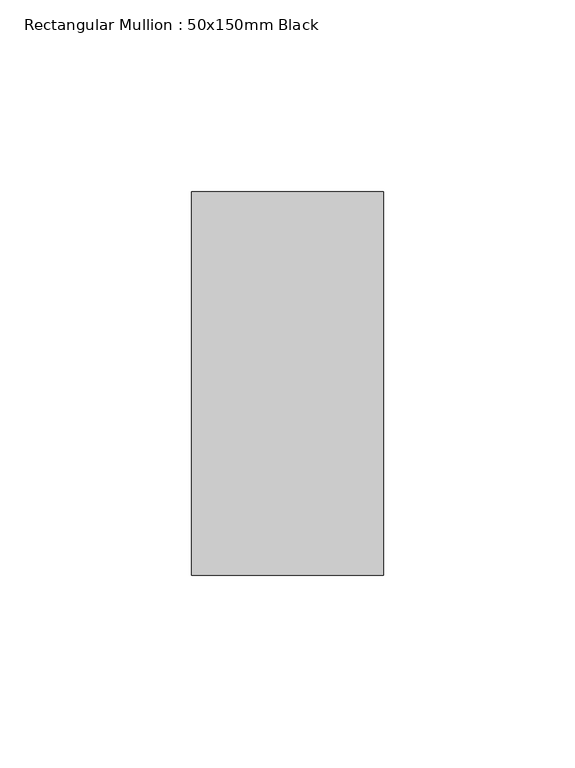
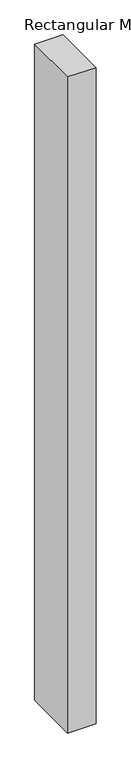
"""IFC4 building model written with IfcOpenShell, lengths in millimetres: member geometry, Rectangular Mullion : 50x150mm Black."""

from ifc_helpers import new_model, si_unit, frame, origin, place, context, project, spatial, polyline, outline, extrude, source, transform, mapped, element, save


def rectangular_mullion_50x150mm_black_c5239dff(model_context):
    return source(origin(), model_context, "Body", "SweptSolid", [
        extrude(outline(polyline([(0.0, 50.0), (0.0, -50.0), (-50.0, -50.0), (-50.0, 50.0), (0.0, 50.0)])), frame((0.0, 0.0, -1220.0000003), z_axis=(0.0, 0.0, 1.0), x_axis=(1.0, 0.0, 0.0)), (0.0, 0.0, 1.0), 1220.0000003),
    ])


if __name__ == "__main__":
    model = new_model("IFC4")
    model_context = context("Model", 3, world=origin())
    ifc_project = project(units=[si_unit("LENGTHUNIT", "METRE", prefix="MILLI")], contexts=[model_context])
    site = spatial("IfcSite", under=ifc_project)
    building = spatial("IfcBuilding", under=site)
    placement = place(None, origin())
    rectangular_mullion_50x150mm_black_shape = rectangular_mullion_50x150mm_black_c5239dff(model_context)
    element("IfcMember", 1, ObjectType="Rectangular Mullion : 50x150mm Black", at=placement, inside=building, context=model_context, shape_type="MappedRepresentation", body=[
        mapped(rectangular_mullion_50x150mm_black_shape, transform((0.0, 0.0, 0.0), x_axis=(1.0, 0.0, 0.0), y_axis=(0.0, 1.0, 0.0), z_axis=(0.0, 0.0, 1.0))),
    ])
    save(model, "model.ifc")
